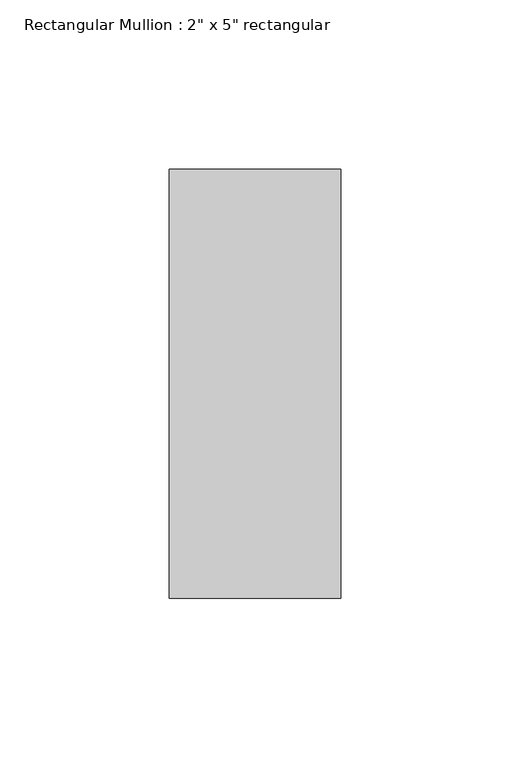
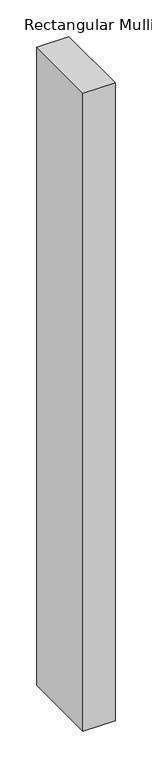
"""IFC4 building model written with IfcOpenShell, lengths in millimetres: member geometry."""

from ifc_helpers import new_model, si_unit, frame, origin, place, context, project, spatial, polyline, outline, extrude, source, transform, mapped, element, save


def member_3a7b3a4d(model_context):
    return source(origin(), model_context, "Body", "SweptSolid", [
        extrude(outline(polyline([(25.4, 63.5), (25.4, -63.5), (-25.4, -63.5), (-25.4, 63.5), (25.4, 63.5)])), frame((0.0, 0.0, -1066.8), z_axis=(0.0, 0.0, 1.0), x_axis=(1.0, 0.0, 0.0)), (0.0, 0.0, 1.0), 1066.8),
    ])


if __name__ == "__main__":
    model = new_model("IFC4")
    model_context = context("Model", 3, world=origin())
    ifc_project = project(units=[si_unit("LENGTHUNIT", "METRE", prefix="MILLI")], contexts=[model_context])
    site = spatial("IfcSite", under=ifc_project)
    building = spatial("IfcBuilding", under=site)
    placement = place(None, origin())
    member_shape = member_3a7b3a4d(model_context)
    element("IfcMember", 1, ObjectType="Rectangular Mullion : 2\" x 5\" rectangular", at=placement, inside=building, context=model_context, shape_type="MappedRepresentation", body=[
        mapped(member_shape, transform((0.0, 0.0, 0.0), x_axis=(1.0, 0.0, 0.0), y_axis=(0.0, 1.0, 0.0), z_axis=(0.0, 0.0, 1.0))),
    ])
    save(model, "model.ifc")
